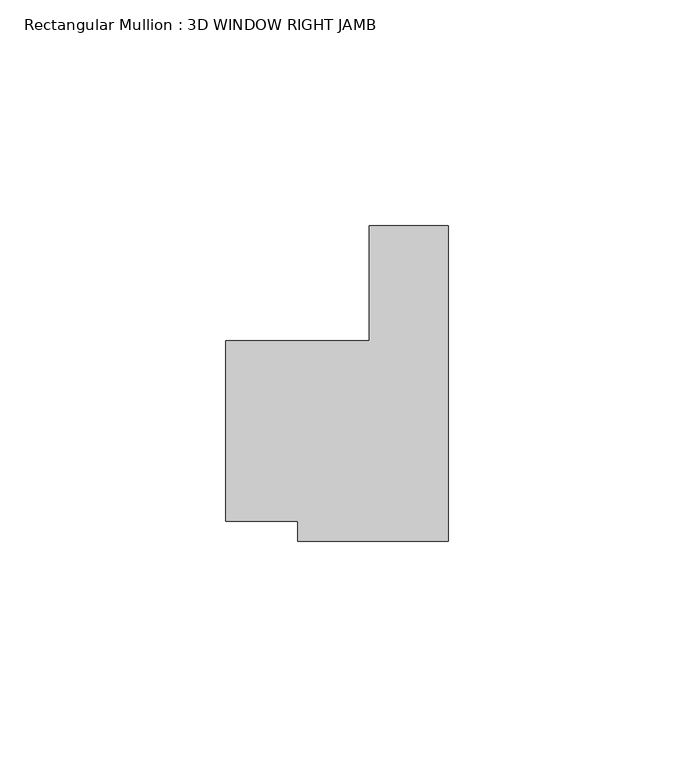
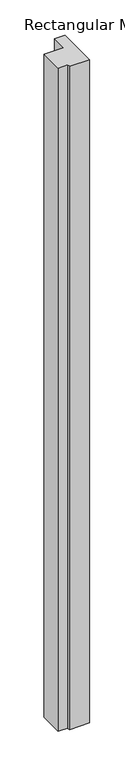
"""IFC4 building model written with IfcOpenShell, lengths in millimetres: member geometry, Rectangular Mullion : 3D WINDOW RIGHT JAMB."""

from ifc_helpers import new_model, si_unit, frame, origin, place, context, project, spatial, polyline, outline, extrude, source, transform, mapped, element, save


def rectangular_mullion_3d_window_right_jamb_37ad8cd3(model_context):
    return source(origin(), model_context, "Body", "SweptSolid", [
        extrude(outline(polyline([(0.0, 18.3262954), (0.0, -51.5156822), (-33.3492795, -51.5156822), (-33.3492795, -47.0706822), (-49.22337, -47.0706822), (-49.22337, -7.0656822), (-17.4752, -7.0656822), (-17.4752, 18.3262954), (0.0, 18.3262954)])), frame((0.0, 0.0, -1149.35), z_axis=(0.0, 0.0, 1.0), x_axis=(1.0, 0.0, 0.0)), (0.0, 0.0, 1.0), 1149.35),
    ])


if __name__ == "__main__":
    model = new_model("IFC4")
    model_context = context("Model", 3, world=origin())
    ifc_project = project(units=[si_unit("LENGTHUNIT", "METRE", prefix="MILLI")], contexts=[model_context])
    site = spatial("IfcSite", under=ifc_project)
    building = spatial("IfcBuilding", under=site)
    placement = place(None, origin())
    rectangular_mullion_3d_window_right_jamb_shape = rectangular_mullion_3d_window_right_jamb_37ad8cd3(model_context)
    element("IfcMember", 1, ObjectType="Rectangular Mullion : 3D WINDOW RIGHT JAMB", at=placement, inside=building, context=model_context, shape_type="MappedRepresentation", body=[
        mapped(rectangular_mullion_3d_window_right_jamb_shape, transform((0.0, 0.0, 0.0), x_axis=(1.0, 0.0, 0.0), y_axis=(0.0, 1.0, 0.0), z_axis=(0.0, 0.0, 1.0))),
    ])
    save(model, "model.ifc")
